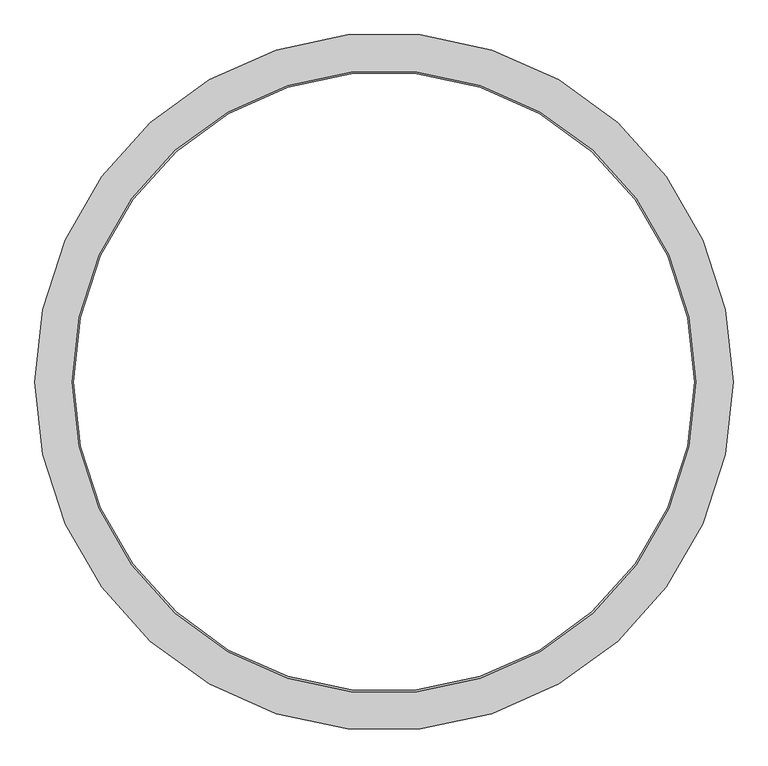
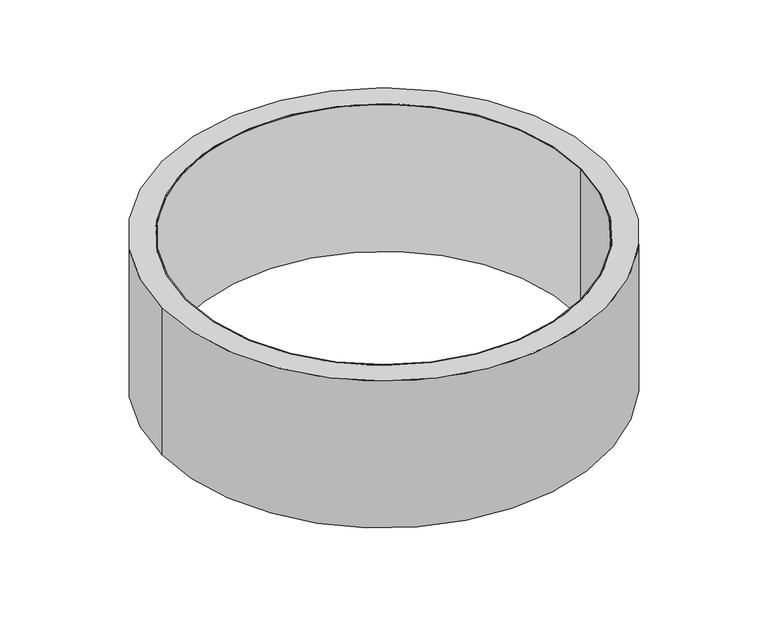
"""IFC4 building model written with IfcOpenShell, lengths in millimetres: proxy geometry."""

from ifc_helpers import new_model, si_unit, point, origin, origin_with_axes, origin_2d, place, context, project, spatial, circle_curve, trimmed, segment, composite_curve, outline, extrude, source, transform, mapped, element, save


def generic_models_56fca575(model_context):
    return source(origin(), model_context, "Body", "SweptSolid", [
        extrude(outline(composite_curve([segment(trimmed(circle_curve(origin_2d(), 750.0), [point((-750.0, 0.0))], [point((750.0, 0.0))], False, "CARTESIAN"), True, "CONTINUOUS"), segment(trimmed(circle_curve(origin_2d(), 750.0), [point((750.0, 0.0))], [point((-750.0, 0.0))], False, "CARTESIAN"), True, "CONTINUOUS")], self_intersect=False), holes=[composite_curve([segment(trimmed(circle_curve(origin_2d(), 746.0), [point((-746.0, 0.0))], [point((746.0, 0.0))], True, "CARTESIAN"), True, "CONTINUOUS"), segment(trimmed(circle_curve(origin_2d(), 746.0), [point((746.0, 0.0))], [point((-746.0, 0.0))], True, "CARTESIAN"), True, "CONTINUOUS")], self_intersect=False)]), origin_with_axes(), (0.0, 0.0, 1.0), 590.0),
        extrude(outline(composite_curve([segment(trimmed(circle_curve(origin_2d(), 840.0), [point((-840.0, 0.0))], [point((840.0, 0.0))], False, "CARTESIAN"), True, "CONTINUOUS"), segment(trimmed(circle_curve(origin_2d(), 840.0), [point((840.0, 0.0))], [point((-840.0, 0.0))], False, "CARTESIAN"), True, "CONTINUOUS")], self_intersect=False), holes=[composite_curve([segment(trimmed(circle_curve(origin_2d(), 750.0), [point((-750.0, 0.0))], [point((750.0, 0.0))], True, "CARTESIAN"), True, "CONTINUOUS"), segment(trimmed(circle_curve(origin_2d(), 750.0), [point((750.0, 0.0))], [point((-750.0, 0.0))], True, "CARTESIAN"), True, "CONTINUOUS")], self_intersect=False)]), origin_with_axes(), (0.0, 0.0, 1.0), 590.0),
    ])


if __name__ == "__main__":
    model = new_model("IFC4")
    model_context = context("Model", 3, world=origin())
    ifc_project = project(units=[si_unit("LENGTHUNIT", "METRE", prefix="MILLI")], contexts=[model_context])
    site = spatial("IfcSite", under=ifc_project)
    building = spatial("IfcBuilding", under=site)
    placement = place(None, origin())
    generic_models_shape = generic_models_56fca575(model_context)
    element("IfcBuildingElementProxy", 1, Name="Generic Models", at=placement, inside=building, context=model_context, shape_type="MappedRepresentation", body=[
        mapped(generic_models_shape, transform((0.0, 0.0, 0.0), x_axis=(1.0, 0.0, 0.0), y_axis=(0.0, 1.0, 0.0), z_axis=(0.0, 0.0, 1.0))),
    ])
    save(model, "model.ifc")
